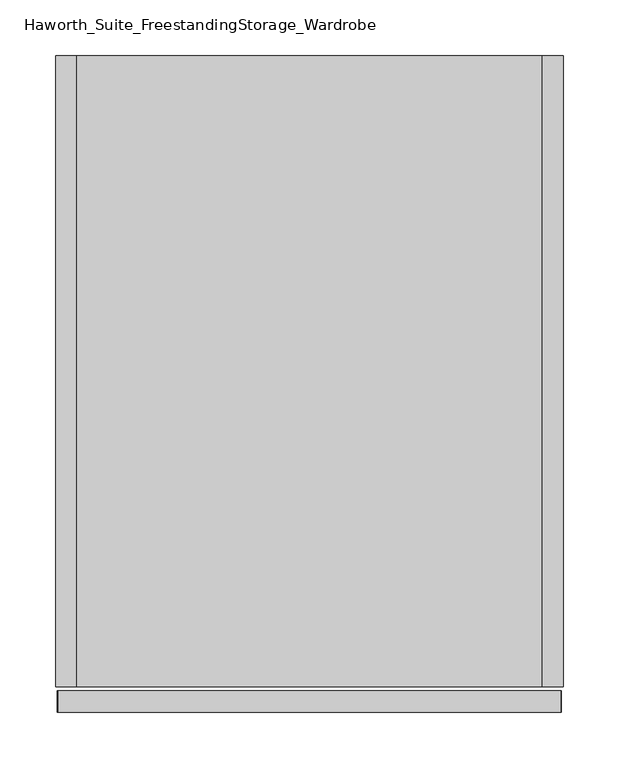
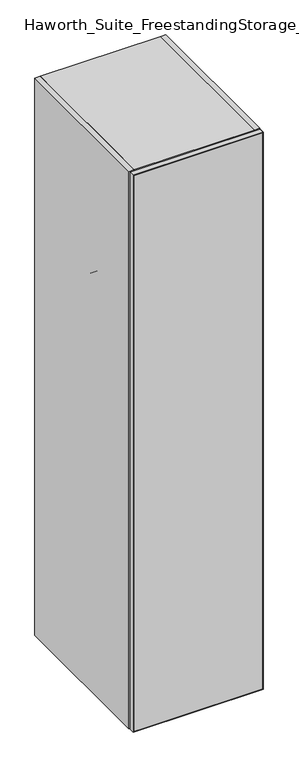
"""IFC4 building model written with IfcOpenShell, lengths in millimetres: furniture geometry, Haworth_Suite_FreestandingStorage_Wardrobe."""

import ifcopenshell
import ifcopenshell.guid

model = None  # the IFC model being written
_history = None  # IfcOwnerHistory: only IFC2X3 demands one
_inside = {}  # id of a spatial element -> (the spatial element, [elements in it])
_under = {}  # id of a project, library or spatial element -> (it, [spatial elements below it])
_declared = {}  # id of a project -> (the project, [libraries it declares])
_typed = {}  # id of a type object -> (the type object, [elements of that type])
_made_of = {}  # id of a material, layer set ... -> (it, [elements and type objects made of it])


def new_model(schema):
    """Start an empty IFC model of exactly this schema.

    Asked for "IFC4X3", IfcOpenShell would pick the latest addendum, in which some entities
    have other attributes; the version numbers below select the first issue.
    IFC2X3 requires an IfcOwnerHistory on every rooted entity: one is made here for all.
    """
    global model, _history
    if schema == "IFC4X3":
        model = ifcopenshell.file(schema_version=(4, 3, 0, 0))
    else:
        model = ifcopenshell.file(schema=schema)
    _inside.clear()
    _under.clear()
    _declared.clear()
    _typed.clear()
    _made_of.clear()
    _history = None
    if model.schema == "IFC2X3":
        org = make("IfcOrganization", Name="unknown")
        user = make(
            "IfcPersonAndOrganization",
            ThePerson=make("IfcPerson", FamilyName="unknown"),
            TheOrganization=org,
        )
        app = make(
            "IfcApplication",
            ApplicationDeveloper=org,
            Version="unknown",
            ApplicationFullName="unknown",
            ApplicationIdentifier="unknown",
        )
        _history = make(
            "IfcOwnerHistory",
            OwningUser=user,
            OwningApplication=app,
            ChangeAction="ADDED",
            CreationDate=0,
        )
    return model


def make(cls, **values):
    """One entity of the class cls with the attributes given. An attribute that is None is left unset."""
    return model.create_entity(
        cls, **{name: value for name, value in values.items() if value is not None}
    )


def rooted(cls, **values):
    """An entity with a GlobalId (a new one), such as an element, a storey or a relation."""
    return make(cls, GlobalId=ifcopenshell.guid.new(), OwnerHistory=_history, **values)


def si_unit(unit_type, name, prefix=None):
    """IfcSIUnit, for example si_unit("LENGTHUNIT", "METRE", prefix="MILLI")."""
    return make("IfcSIUnit", UnitType=unit_type, Prefix=prefix, Name=name)


def assignment(units):
    """IfcUnitAssignment: the units of a project."""
    return None if units is None else make("IfcUnitAssignment", Units=units)


def point(xyz):
    """IfcCartesianPoint."""
    return None if xyz is None else make("IfcCartesianPoint", Coordinates=xyz)


def direction(xyz):
    """IfcDirection."""
    return None if xyz is None else make("IfcDirection", DirectionRatios=xyz)


def frame(location, z_axis=None, x_axis=None):
    """IfcAxis2Placement3D, a coordinate frame: its origin and axes. An axis left out is left unset."""
    return make(
        "IfcAxis2Placement3D",
        Location=point(location),
        Axis=direction(z_axis),
        RefDirection=direction(x_axis),
    )


def frame_2d(location, x_axis=None):
    """IfcAxis2Placement2D, a coordinate frame in the plane: its origin and x axis."""
    return make(
        "IfcAxis2Placement2D", Location=point(location), RefDirection=direction(x_axis)
    )


def origin():
    """The frame at (0, 0, 0) with its axes left unset."""
    return frame((0.0, 0.0, 0.0))


def origin_with_axes():
    """The frame at (0, 0, 0) with the z axis (0, 0, 1) and the x axis (1, 0, 0) written out."""
    return frame((0.0, 0.0, 0.0), z_axis=(0.0, 0.0, 1.0), x_axis=(1.0, 0.0, 0.0))


def place(relative_to, where):
    """IfcLocalPlacement: puts the frame where relative to a parent placement (None: the world)."""
    return make(
        "IfcLocalPlacement", PlacementRelTo=relative_to, RelativePlacement=where
    )


def context(
    kind, dimensions, precision=None, world=None, true_north=None, identifier=None
):
    """IfcGeometricRepresentationContext, for example the 3D "Model" context."""
    return make(
        "IfcGeometricRepresentationContext",
        ContextIdentifier=identifier,
        ContextType=kind,
        CoordinateSpaceDimension=dimensions,
        Precision=precision,
        WorldCoordinateSystem=world,
        TrueNorth=true_north,
    )


def project(units=None, contexts=None):
    """IfcProject with its units and contexts."""
    return rooted(
        "IfcProject",
        Name="project",
        RepresentationContexts=contexts,
        UnitsInContext=assignment(units),
    )


def spatial(cls, under=None, at=None, **own):
    """A site, building, storey or space (cls), placed at a placement, below another one or the project."""
    s = rooted(cls, ObjectPlacement=at, **own)
    if under is not None:
        _under.setdefault(under.id(), (under, []))[1].append(s)
    return s


def polyline(points):
    """IfcPolyline through the points."""
    return make("IfcPolyline", Points=[point(p) for p in points])


def circle_curve(where, radius):
    """IfcCircle in the frame where."""
    return make("IfcCircle", Position=where, Radius=radius)


def trimmed(basis, trim1, trim2, sense, master):
    """IfcTrimmedCurve: the piece of a basis curve between two trims."""
    return make(
        "IfcTrimmedCurve",
        BasisCurve=basis,
        Trim1=trim1,
        Trim2=trim2,
        SenseAgreement=sense,
        MasterRepresentation=master,
    )


def segment(curve, same_sense, transition):
    """IfcCompositeCurveSegment."""
    return make(
        "IfcCompositeCurveSegment",
        Transition=transition,
        SameSense=same_sense,
        ParentCurve=curve,
    )


def composite_curve(segments, self_intersect=None):
    """IfcCompositeCurve: segments joined end to end."""
    return make("IfcCompositeCurve", Segments=segments, SelfIntersect=self_intersect)


def outline(outer, holes=None, kind="AREA"):
    """IfcArbitraryClosedProfileDef: a profile drawn as a closed curve; with holes, ...WithVoids."""
    if holes is None:
        return make("IfcArbitraryClosedProfileDef", ProfileType=kind, OuterCurve=outer)
    return make(
        "IfcArbitraryProfileDefWithVoids",
        ProfileType=kind,
        OuterCurve=outer,
        InnerCurves=holes,
    )


def extrude(swept, where, along, depth):
    """IfcExtrudedAreaSolid: the profile swept, set in the frame where, extruded along a direction by depth."""
    return make(
        "IfcExtrudedAreaSolid",
        SweptArea=swept,
        Position=where,
        ExtrudedDirection=direction(along),
        Depth=depth,
    )


def shape(context_of_items, identifier, shape_type, items):
    """IfcShapeRepresentation: the items that make up one representation, for example the "Body"."""
    return make(
        "IfcShapeRepresentation",
        ContextOfItems=context_of_items,
        RepresentationIdentifier=identifier,
        RepresentationType=shape_type,
        Items=items,
    )


def source(mapping_origin, context_of_items, identifier, shape_type, items):
    """IfcRepresentationMap: a shape defined once, which mapped items show again and again."""
    return make(
        "IfcRepresentationMap",
        MappingOrigin=mapping_origin,
        MappedRepresentation=shape(context_of_items, identifier, shape_type, items),
    )


def transform(
    local_origin,
    x_axis=None,
    y_axis=None,
    z_axis=None,
    scale=None,
    scale2=None,
    scale3=None,
    uniform=True,
):
    """IfcCartesianTransformationOperator3D, or its non-uniform kind. x_axis, y_axis, z_axis: its Axis1, 2, 3."""
    if uniform:
        return make(
            "IfcCartesianTransformationOperator3D",
            Axis1=direction(x_axis),
            Axis2=direction(y_axis),
            LocalOrigin=point(local_origin),
            Scale=scale,
            Axis3=direction(z_axis),
        )
    return make(
        "IfcCartesianTransformationOperator3DnonUniform",
        Axis1=direction(x_axis),
        Axis2=direction(y_axis),
        LocalOrigin=point(local_origin),
        Scale=scale,
        Axis3=direction(z_axis),
        Scale2=scale2,
        Scale3=scale3,
    )


def mapped(mapping_source, mapping_target):
    """IfcMappedItem: shows the shape of a source again, moved by a transform."""
    return make(
        "IfcMappedItem", MappingSource=mapping_source, MappingTarget=mapping_target
    )


def made_of(thing, what):
    """Note that an element or type object is made of a material, layer set ...; save() writes the relation."""
    if what is not None:
        _made_of.setdefault(what.id(), (what, []))[1].append(thing)
    return thing


def element(
    cls,
    number,
    at=None,
    inside=None,
    cuts=None,
    type_object=None,
    material=None,
    context=None,
    identifier="Body",
    shape_type=None,
    held_by="IfcProductDefinitionShape",
    body=None,
    shapes=None,
    **own,
):
    """One element of the class cls, such as IfcWall. Its Tag is "e" and its number.

    at: its placement. inside: the storey or other place that contains it. cuts: it is an
    opening in that element (IfcRelVoidsElement). A single representation is given by context,
    identifier, shape_type and body (its items); several are given by shapes. held_by: the class
    of the entity that holds the representations. save() writes the other relations.
    """
    e = rooted(cls, Tag="e%d" % number, ObjectPlacement=at, **own)
    if body is not None:
        shapes = [shape(context, identifier, shape_type, body)]
    if shapes is not None:
        e.Representation = make(held_by, Representations=shapes)
    if inside is not None:
        _inside.setdefault(inside.id(), (inside, []))[1].append(e)
    if cuts is not None:
        rooted(
            "IfcRelVoidsElement", RelatingBuildingElement=cuts, RelatedOpeningElement=e
        )
    if type_object is not None:
        _typed.setdefault(type_object.id(), (type_object, []))[1].append(e)
    return made_of(e, material)


def aggregate(whole, parts):
    """IfcRelAggregates: a whole, such as a stair, and the parts it consists of."""
    return rooted("IfcRelAggregates", RelatingObject=whole, RelatedObjects=parts)


def save(model, path):
    """Write the relations noted so far, then the file.

    IfcRelAggregates (storeys below a building ...), IfcRelContainedInSpatialStructure (elements
    in a storey), IfcRelDefinesByType, IfcRelAssociatesMaterial and IfcRelDeclares: one each for
    every whole, place, type object, material and project.
    """
    for whole, parts in _under.values():
        aggregate(whole, parts)
    for where, things in _inside.values():
        rooted(
            "IfcRelContainedInSpatialStructure",
            RelatedElements=things,
            RelatingStructure=where,
        )
    for kind, things in _typed.values():
        rooted("IfcRelDefinesByType", RelatedObjects=things, RelatingType=kind)
    for what, things in _made_of.values():
        rooted("IfcRelAssociatesMaterial", RelatedObjects=things, RelatingMaterial=what)
    for by, libraries in _declared.values():
        rooted("IfcRelDeclares", RelatingContext=by, RelatedDefinitions=libraries)
    model.write(path)


def haworth_suite_freestandingstorage_wardrobe_8a47366e(model_context):
    return source(origin(), model_context, "Body", "SweptSolid", [
        extrude(outline(polyline([(2057.4, 442.9125), (2055.8125, 441.325), (1.5875, 441.325), (0.0, 442.9125), (2057.4, 442.9125)])), frame((0.0, -419.89375, 0.0), z_axis=(0.0, 1.0, 0.0), x_axis=(0.0, 0.0, 1.0)), (0.0, 0.0, 1.0), 19.05),
        extrude(outline(polyline([(2057.4, -11.1125), (0.0, -11.1125), (1.5875, -9.525), (2055.8125, -9.525), (2057.4, -11.1125)])), frame((0.0, -419.89375, 0.0), z_axis=(0.0, 1.0, 0.0), x_axis=(0.0, 0.0, 1.0)), (0.0, 0.0, 1.0), 19.05),
        extrude(outline(polyline([(2055.8125, 441.325), (2057.4, 442.9125), (2057.4, -11.1125), (2055.8125, -9.525), (2055.8125, 441.325)])), frame((0.0, -419.89375, 0.0), z_axis=(0.0, 1.0, 0.0), x_axis=(0.0, 0.0, 1.0)), (0.0, 0.0, 1.0), 19.05),
        extrude(outline(polyline([(1.5875, 441.325), (1.5875, -9.525), (0.0, -11.1125), (0.0, 442.9125), (1.5875, 441.325)])), frame((0.0, -419.89375, 0.0), z_axis=(0.0, 1.0, 0.0), x_axis=(0.0, 0.0, 1.0)), (0.0, 0.0, 1.0), 19.05),
        extrude(outline(polyline([(-9.525, -401.6375), (441.325, -401.6375), (441.325, -419.1), (-9.525, -419.1), (-9.525, -401.6375)])), frame((0.0, 0.0, 1.5875), z_axis=(0.0, 0.0, 1.0), x_axis=(1.0, 0.0, 0.0)), (0.0, 0.0, 1.0), 2054.225),
        extrude(outline(composite_curve([segment(trimmed(circle_curve(frame_2d((-123.825, 1524.0)), 12.7), [point((-136.525, 1524.0))], [point((-111.125, 1524.0))], False, "CARTESIAN"), True, "CONTINUOUS"), segment(trimmed(circle_curve(frame_2d((-123.825, 1524.0)), 12.7), [point((-111.125, 1524.0))], [point((-136.525, 1524.0))], False, "CARTESIAN"), True, "CONTINUOUS")], self_intersect=False)), frame((6.35, 0.0, 0.0), z_axis=(1.0, 0.0, 0.0), x_axis=(0.0, 1.0, 0.0)), (0.0, 0.0, 1.0), 419.1),
        extrude(outline(polyline([(425.45, 171.45), (425.45, -396.875), (6.35, -396.875), (6.35, 171.45), (425.45, 171.45)])), frame((0.0, 0.0, 2038.35), z_axis=(0.0, 0.0, 1.0), x_axis=(1.0, 0.0, 0.0)), (0.0, 0.0, 1.0), 19.05),
        extrude(outline(polyline([(425.45, 171.45), (425.45, 152.4), (6.35, 152.4), (6.35, 171.45), (425.45, 171.45)])), origin_with_axes(), (0.0, 0.0, 1.0), 2038.35),
        extrude(outline(polyline([(425.45, 152.4), (425.45, -396.875), (6.35, -396.875), (6.35, 152.4), (425.45, 152.4)])), origin_with_axes(), (0.0, 0.0, 1.0), 38.1),
        extrude(outline(polyline([(6.35, 171.45), (6.35, -396.875), (-12.7, -396.875), (-12.7, 171.45), (6.35, 171.45)])), origin_with_axes(), (0.0, 0.0, 1.0), 2057.4),
        extrude(outline(polyline([(444.5, -396.875), (425.45, -396.875), (425.45, 171.45), (444.5, 171.45), (444.5, -396.875)])), origin_with_axes(), (0.0, 0.0, 1.0), 2057.4),
    ])


if __name__ == "__main__":
    model = new_model("IFC4")
    model_context = context("Model", 3, world=origin())
    ifc_project = project(units=[si_unit("LENGTHUNIT", "METRE", prefix="MILLI")], contexts=[model_context])
    site = spatial("IfcSite", under=ifc_project)
    building = spatial("IfcBuilding", under=site)
    placement = place(None, origin())
    haworth_suite_freestandingstorage_wardrobe_shape = haworth_suite_freestandingstorage_wardrobe_8a47366e(model_context)
    element("IfcFurniture", 1, ObjectType="Haworth_Suite_FreestandingStorage_Wardrobe", at=placement, inside=building, context=model_context, shape_type="MappedRepresentation", body=[
        mapped(haworth_suite_freestandingstorage_wardrobe_shape, transform((0.0, 0.0, 0.0), x_axis=(1.0, 0.0, 0.0), y_axis=(0.0, 1.0, 0.0), z_axis=(0.0, 0.0, 1.0))),
    ])
    save(model, "model.ifc")
